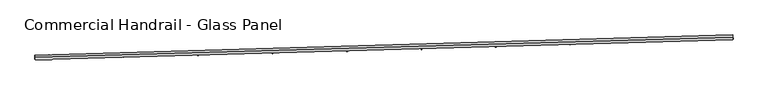
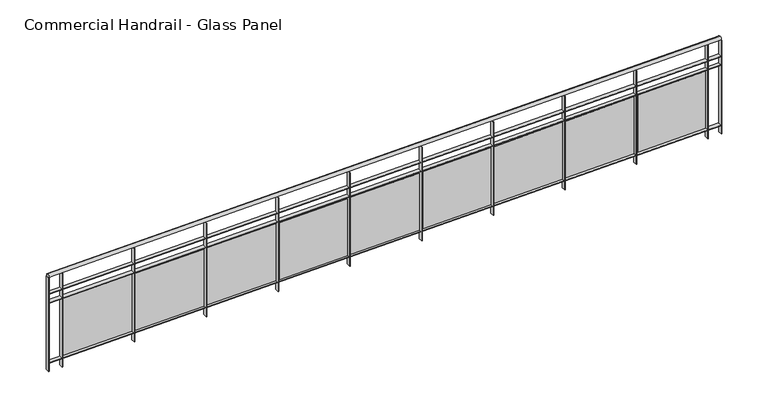
"""IFC4 building model written with IfcOpenShell, lengths in millimetres: railing geometry, Commercial Handrail - Glass Panel."""

import ifcopenshell
import ifcopenshell.guid

model = None  # the IFC model being written
_history = None  # IfcOwnerHistory: only IFC2X3 demands one
_inside = {}  # id of a spatial element -> (the spatial element, [elements in it])
_under = {}  # id of a project, library or spatial element -> (it, [spatial elements below it])
_declared = {}  # id of a project -> (the project, [libraries it declares])
_typed = {}  # id of a type object -> (the type object, [elements of that type])
_made_of = {}  # id of a material, layer set ... -> (it, [elements and type objects made of it])


def new_model(schema):
    """Start an empty IFC model of exactly this schema.

    Asked for "IFC4X3", IfcOpenShell would pick the latest addendum, in which some entities
    have other attributes; the version numbers below select the first issue.
    IFC2X3 requires an IfcOwnerHistory on every rooted entity: one is made here for all.
    """
    global model, _history
    if schema == "IFC4X3":
        model = ifcopenshell.file(schema_version=(4, 3, 0, 0))
    else:
        model = ifcopenshell.file(schema=schema)
    _inside.clear()
    _under.clear()
    _declared.clear()
    _typed.clear()
    _made_of.clear()
    _history = None
    if model.schema == "IFC2X3":
        org = make("IfcOrganization", Name="unknown")
        user = make(
            "IfcPersonAndOrganization",
            ThePerson=make("IfcPerson", FamilyName="unknown"),
            TheOrganization=org,
        )
        app = make(
            "IfcApplication",
            ApplicationDeveloper=org,
            Version="unknown",
            ApplicationFullName="unknown",
            ApplicationIdentifier="unknown",
        )
        _history = make(
            "IfcOwnerHistory",
            OwningUser=user,
            OwningApplication=app,
            ChangeAction="ADDED",
            CreationDate=0,
        )
    return model


def make(cls, **values):
    """One entity of the class cls with the attributes given. An attribute that is None is left unset."""
    return model.create_entity(
        cls, **{name: value for name, value in values.items() if value is not None}
    )


def rooted(cls, **values):
    """An entity with a GlobalId (a new one), such as an element, a storey or a relation."""
    return make(cls, GlobalId=ifcopenshell.guid.new(), OwnerHistory=_history, **values)


def si_unit(unit_type, name, prefix=None):
    """IfcSIUnit, for example si_unit("LENGTHUNIT", "METRE", prefix="MILLI")."""
    return make("IfcSIUnit", UnitType=unit_type, Prefix=prefix, Name=name)


def assignment(units):
    """IfcUnitAssignment: the units of a project."""
    return None if units is None else make("IfcUnitAssignment", Units=units)


def point(xyz):
    """IfcCartesianPoint."""
    return None if xyz is None else make("IfcCartesianPoint", Coordinates=xyz)


def direction(xyz):
    """IfcDirection."""
    return None if xyz is None else make("IfcDirection", DirectionRatios=xyz)


def frame(location, z_axis=None, x_axis=None):
    """IfcAxis2Placement3D, a coordinate frame: its origin and axes. An axis left out is left unset."""
    return make(
        "IfcAxis2Placement3D",
        Location=point(location),
        Axis=direction(z_axis),
        RefDirection=direction(x_axis),
    )


def origin():
    """The frame at (0, 0, 0) with its axes left unset."""
    return frame((0.0, 0.0, 0.0))


def place(relative_to, where):
    """IfcLocalPlacement: puts the frame where relative to a parent placement (None: the world)."""
    return make(
        "IfcLocalPlacement", PlacementRelTo=relative_to, RelativePlacement=where
    )


def context(
    kind, dimensions, precision=None, world=None, true_north=None, identifier=None
):
    """IfcGeometricRepresentationContext, for example the 3D "Model" context."""
    return make(
        "IfcGeometricRepresentationContext",
        ContextIdentifier=identifier,
        ContextType=kind,
        CoordinateSpaceDimension=dimensions,
        Precision=precision,
        WorldCoordinateSystem=world,
        TrueNorth=true_north,
    )


def project(units=None, contexts=None):
    """IfcProject with its units and contexts."""
    return rooted(
        "IfcProject",
        Name="project",
        RepresentationContexts=contexts,
        UnitsInContext=assignment(units),
    )


def spatial(cls, under=None, at=None, **own):
    """A site, building, storey or space (cls), placed at a placement, below another one or the project."""
    s = rooted(cls, ObjectPlacement=at, **own)
    if under is not None:
        _under.setdefault(under.id(), (under, []))[1].append(s)
    return s


def polyline(points):
    """IfcPolyline through the points."""
    return make("IfcPolyline", Points=[point(p) for p in points])


def circle_curve(where, radius):
    """IfcCircle in the frame where."""
    return make("IfcCircle", Position=where, Radius=radius)


def ellipse_curve(where, semi_axis1, semi_axis2):
    """IfcEllipse in the frame where."""
    return make(
        "IfcEllipse", Position=where, SemiAxis1=semi_axis1, SemiAxis2=semi_axis2
    )


def trimmed(basis, trim1, trim2, sense, master):
    """IfcTrimmedCurve: the piece of a basis curve between two trims."""
    return make(
        "IfcTrimmedCurve",
        BasisCurve=basis,
        Trim1=trim1,
        Trim2=trim2,
        SenseAgreement=sense,
        MasterRepresentation=master,
    )


def outline(outer, holes=None, kind="AREA"):
    """IfcArbitraryClosedProfileDef: a profile drawn as a closed curve; with holes, ...WithVoids."""
    if holes is None:
        return make("IfcArbitraryClosedProfileDef", ProfileType=kind, OuterCurve=outer)
    return make(
        "IfcArbitraryProfileDefWithVoids",
        ProfileType=kind,
        OuterCurve=outer,
        InnerCurves=holes,
    )


def extrude(swept, where, along, depth):
    """IfcExtrudedAreaSolid: the profile swept, set in the frame where, extruded along a direction by depth."""
    return make(
        "IfcExtrudedAreaSolid",
        SweptArea=swept,
        Position=where,
        ExtrudedDirection=direction(along),
        Depth=depth,
    )


def shape(context_of_items, identifier, shape_type, items):
    """IfcShapeRepresentation: the items that make up one representation, for example the "Body"."""
    return make(
        "IfcShapeRepresentation",
        ContextOfItems=context_of_items,
        RepresentationIdentifier=identifier,
        RepresentationType=shape_type,
        Items=items,
    )


def source(mapping_origin, context_of_items, identifier, shape_type, items):
    """IfcRepresentationMap: a shape defined once, which mapped items show again and again."""
    return make(
        "IfcRepresentationMap",
        MappingOrigin=mapping_origin,
        MappedRepresentation=shape(context_of_items, identifier, shape_type, items),
    )


def transform(
    local_origin,
    x_axis=None,
    y_axis=None,
    z_axis=None,
    scale=None,
    scale2=None,
    scale3=None,
    uniform=True,
):
    """IfcCartesianTransformationOperator3D, or its non-uniform kind. x_axis, y_axis, z_axis: its Axis1, 2, 3."""
    if uniform:
        return make(
            "IfcCartesianTransformationOperator3D",
            Axis1=direction(x_axis),
            Axis2=direction(y_axis),
            LocalOrigin=point(local_origin),
            Scale=scale,
            Axis3=direction(z_axis),
        )
    return make(
        "IfcCartesianTransformationOperator3DnonUniform",
        Axis1=direction(x_axis),
        Axis2=direction(y_axis),
        LocalOrigin=point(local_origin),
        Scale=scale,
        Axis3=direction(z_axis),
        Scale2=scale2,
        Scale3=scale3,
    )


def mapped(mapping_source, mapping_target):
    """IfcMappedItem: shows the shape of a source again, moved by a transform."""
    return make(
        "IfcMappedItem", MappingSource=mapping_source, MappingTarget=mapping_target
    )


def made_of(thing, what):
    """Note that an element or type object is made of a material, layer set ...; save() writes the relation."""
    if what is not None:
        _made_of.setdefault(what.id(), (what, []))[1].append(thing)
    return thing


def element(
    cls,
    number,
    at=None,
    inside=None,
    cuts=None,
    type_object=None,
    material=None,
    context=None,
    identifier="Body",
    shape_type=None,
    held_by="IfcProductDefinitionShape",
    body=None,
    shapes=None,
    **own,
):
    """One element of the class cls, such as IfcWall. Its Tag is "e" and its number.

    at: its placement. inside: the storey or other place that contains it. cuts: it is an
    opening in that element (IfcRelVoidsElement). A single representation is given by context,
    identifier, shape_type and body (its items); several are given by shapes. held_by: the class
    of the entity that holds the representations. save() writes the other relations.
    """
    e = rooted(cls, Tag="e%d" % number, ObjectPlacement=at, **own)
    if body is not None:
        shapes = [shape(context, identifier, shape_type, body)]
    if shapes is not None:
        e.Representation = make(held_by, Representations=shapes)
    if inside is not None:
        _inside.setdefault(inside.id(), (inside, []))[1].append(e)
    if cuts is not None:
        rooted(
            "IfcRelVoidsElement", RelatingBuildingElement=cuts, RelatedOpeningElement=e
        )
    if type_object is not None:
        _typed.setdefault(type_object.id(), (type_object, []))[1].append(e)
    return made_of(e, material)


def aggregate(whole, parts):
    """IfcRelAggregates: a whole, such as a stair, and the parts it consists of."""
    return rooted("IfcRelAggregates", RelatingObject=whole, RelatedObjects=parts)


def save(model, path):
    """Write the relations noted so far, then the file.

    IfcRelAggregates (storeys below a building ...), IfcRelContainedInSpatialStructure (elements
    in a storey), IfcRelDefinesByType, IfcRelAssociatesMaterial and IfcRelDeclares: one each for
    every whole, place, type object, material and project.
    """
    for whole, parts in _under.values():
        aggregate(whole, parts)
    for where, things in _inside.values():
        rooted(
            "IfcRelContainedInSpatialStructure",
            RelatedElements=things,
            RelatingStructure=where,
        )
    for kind, things in _typed.values():
        rooted("IfcRelDefinesByType", RelatedObjects=things, RelatingType=kind)
    for what, things in _made_of.values():
        rooted("IfcRelAssociatesMaterial", RelatedObjects=things, RelatingMaterial=what)
    for by, libraries in _declared.values():
        rooted("IfcRelDeclares", RelatingContext=by, RelatedDefinitions=libraries)
    model.write(path)


def plane_surface(at):
    """IfcPlane: the flat surface through the origin of the frame at, square to its z axis."""
    return make("IfcPlane", Position=at)


def cylinder_surface(at, radius):
    """IfcCylindricalSurface: all points at the distance radius from the z axis of the frame at."""
    return make("IfcCylindricalSurface", Position=at, Radius=radius)


def revolved_surface(curve, axis_point, axis_direction):
    """IfcSurfaceOfRevolution: the curve turned about the line through axis_point along axis_direction."""
    return make(
        "IfcSurfaceOfRevolution",
        SweptCurve=make("IfcArbitraryOpenProfileDef", ProfileType="CURVE", Curve=curve),
        AxisPosition=make("IfcAxis1Placement", Location=point(axis_point), Axis=direction(axis_direction)),
    )


def advanced_brep(points, edges, surfaces, faces):
    """IfcAdvancedBrep: a solid bounded by faces that lie on surfaces and meet in shared edges.

    An edge is (start, end): straight between two places in points (the first is 0);
    or (start, end, curve); or (start, end, curve, False) where it runs against its curve.
    A face is (place in surfaces, loops), or (place, loops, False) where it looks against
    its surface's normal. A loop lists edges by number (the first is 1), with a minus sign
    where the edge is run from its end to its start. The first loop is the outer one.
    """
    corners = [point(p) for p in points]
    vertices = [make("IfcVertexPoint", VertexGeometry=c) for c in corners]
    made = []
    for start, end, *more in edges:
        made.append(
            make(
                "IfcEdgeCurve",
                EdgeStart=vertices[start],
                EdgeEnd=vertices[end],
                EdgeGeometry=more[0] if more else make("IfcPolyline", Points=[corners[start], corners[end]]),
                SameSense=more[1] if len(more) > 1 else True,
            )
        )
    hull = []
    for where, loops, *sense in faces:
        bounds = []
        for j, loop in enumerate(loops):
            ring = [make("IfcOrientedEdge", EdgeElement=made[abs(k) - 1], Orientation=k > 0) for k in loop]
            bounds.append(
                make(
                    "IfcFaceOuterBound" if j == 0 else "IfcFaceBound",
                    Bound=make("IfcEdgeLoop", EdgeList=ring),
                    Orientation=True,
                )
            )
        hull.append(make("IfcAdvancedFace", Bounds=bounds, FaceSurface=surfaces[where], SameSense=sense[0] if sense else True))
    return make("IfcAdvancedBrep", Outer=make("IfcClosedShell", CfsFaces=hull))


def commercial_handrail_glass_panel_80ee189d(model_context):
    return source(origin(), model_context, "Body", "SolidModel", [
        advanced_brep(
        [(92002.383663, -32667.3922557, 6082.5), (99494.9420754, -32451.0584411, 6082.5), (99494.9420754, -32451.0584411, 6117.5), (92002.383663, -32667.3922557, 6117.5)],
        [
            (0, 1, circle_curve(frame((80860.2598568, 483089.3774887, 6082.5), z_axis=(0.0, 0.0, 1.0), x_axis=(0.0361223280953345, -0.9993473757472788, 0.0)), 515877.1098432)),
            (1, 2, ellipse_curve(frame((99494.9420754, -32451.0584411, 6100.0), z_axis=(-0.9993473757472793, -0.03612232809532806, 0.0), x_axis=(-0.03612232809532805, 0.999347375747279, 0.0)), 25.0, 17.5)),
            (2, 3, circle_curve(frame((80860.2598568, 483089.3774887, 6117.5), z_axis=(0.0, 0.0, -1.0), x_axis=(0.0361223280953345, -0.9993473757472788, 0.0)), 515877.1098432)),
            (3, 0, ellipse_curve(frame((92002.383663, -32667.3922557, 6100.0), z_axis=(0.9997667271983505, 0.021598407050044108, 0.0), x_axis=(-0.021598407050044104, 0.9997667271983502, 0.0)), 25.0, 17.5)),
            (2, 1, ellipse_curve(frame((99494.9420754, -32451.0584411, 6100.0), z_axis=(-0.9993473757472793, -0.03612232809532806, 0.0), x_axis=(-0.03612232809532805, 0.999347375747279, 0.0)), 25.0, 17.5)),
            (0, 3, ellipse_curve(frame((92002.383663, -32667.3922557, 6100.0), z_axis=(0.9997667271983505, 0.021598407050044108, 0.0), x_axis=(-0.021598407050044104, 0.9997667271983502, 0.0)), 25.0, 17.5)),
        ],
        [
            revolved_surface(trimmed(ellipse_curve(frame((99494.9420754, -32451.0584411, 6100.0), z_axis=(0.9993473757472788, 0.036122328095334506, 0.0), x_axis=(0.0, 0.0, -1.0)), 17.5, 25.0), [point((99494.9420754, -32451.0584411, 6117.5))], [point((99494.9420754, -32451.0584411, 6082.5))], True, "CARTESIAN"), (80860.2598568, 483089.3774887, 6100.0), (0.0, 0.0, -1.0)),
            revolved_surface(trimmed(ellipse_curve(frame((99494.9420754, -32451.0584411, 6100.0), z_axis=(0.9993473757472788, 0.036122328095334506, 0.0), x_axis=(0.0, 0.0, -1.0)), 17.5, 25.0), [point((99494.9420754, -32451.0584411, 6082.5))], [point((99494.9420754, -32451.0584411, 6117.5))], True, "CARTESIAN"), (80860.2598568, 483089.3774887, 6100.0), (0.0, 0.0, -1.0)),
            plane_surface(frame((99494.9420754, -32451.0584411, 6100.0), z_axis=(0.9993473757472789, 0.03612232809533451, 0.0), x_axis=(0.03612232809533451, -0.9993473757472789, 0.0))),
            plane_surface(frame((92002.383663, -32667.3922557, 6100.0), z_axis=(-0.9997667271983504, -0.021598407050044077, 0.0), x_axis=(0.021598407050044077, -0.9997667271983504, 0.0))),
        ],
        [
            (0, [[1, 2, 3, 4]]),
            (1, [[-3, 5, -1, 6]]),
            (2, [[-2, -5]]),
            (3, [[-6, -4]]),
        ],
    ),
        advanced_brep(
        [(92002.8696271, -32689.8870071, 5900.0), (99495.7548278, -32473.5437571, 5900.0), (99494.129323, -32428.5731252, 5900.0), (92001.8976988, -32644.8975044, 5900.0), (92002.8696271, -32689.8870071, 5894.0), (99495.7548278, -32473.5437571, 5894.0), (92001.8976988, -32644.8975044, 5894.0), (99494.129323, -32428.5731252, 5894.0)],
        [
            (0, 1, circle_curve(frame((80860.2598568, 483089.3774887, 5900.0), z_axis=(0.0, 0.0, 1.0), x_axis=(0.0361223280953345, -0.9993473757472788, 0.0)), 515899.6098432)),
            (1, 2),
            (2, 3, circle_curve(frame((80860.2598568, 483089.3774887, 5900.0), z_axis=(0.0, 0.0, -1.0), x_axis=(0.0361223280953345, -0.9993473757472788, 0.0)), 515854.6098432)),
            (3, 0),
            (4, 5, circle_curve(frame((80860.2598568, 483089.3774887, 5894.0), z_axis=(0.0, 0.0, 1.0), x_axis=(0.0361223280953345, -0.9993473757472788, 0.0)), 515899.6098432)),
            (5, 1),
            (0, 4),
            (6, 7, circle_curve(frame((80860.2598568, 483089.3774887, 5894.0), z_axis=(0.0, 0.0, 1.0), x_axis=(0.0361223280953345, -0.9993473757472788, 0.0)), 515854.6098432)),
            (7, 5),
            (4, 6),
            (2, 7),
            (6, 3),
        ],
        [
            plane_surface(frame((80860.2598568, 483089.3774887, 5900.0), z_axis=(0.0, 0.0, 1.0), x_axis=(0.036122328095334506, -0.9993473757472789, 0.0))),
            cylinder_surface(frame((80860.2598568, 483089.3774887, 5900.0), z_axis=(0.0, 0.0, -1.0), x_axis=(0.0361223280953345, -0.9993473757472788, 0.0)), 515899.6098432),
            plane_surface(frame((80860.2598568, 483089.3774887, 5894.0), z_axis=(0.0, 0.0, -1.0), x_axis=(0.036122328095334506, -0.9993473757472789, 0.0))),
            revolved_surface(polyline([(99494.12932304683, -32428.573125238356, 5894.0), (99494.12932304683, -32428.573125238356, 5900.0)]), (80860.2598568, 483089.3774887, 5900.0), (0.0, 0.0, -1.0)),
            plane_surface(frame((99494.9420754, -32451.0584411, 5900.0), z_axis=(0.9993473757472789, 0.03612232809533451, 0.0), x_axis=(0.03612232809533451, -0.9993473757472789, 0.0))),
            plane_surface(frame((92002.383663, -32667.3922557, 5900.0), z_axis=(-0.9997667271983504, -0.021598407050044077, 0.0), x_axis=(0.021598407050044077, -0.9997667271983504, 0.0))),
        ],
        [
            (0, [[1, 2, 3, 4]]),
            (1, [[5, 6, -1, 7]]),
            (2, [[8, 9, -5, 10]]),
            (3, [[-3, 11, -8, 12]]),
            (4, [[-2, -6, -9, -11]]),
            (5, [[-12, -10, -7, -4]]),
        ],
    ),
        advanced_brep(
        [(92002.8696271, -32689.8870071, 5800.0), (99495.7548278, -32473.5437571, 5800.0), (99494.129323, -32428.5731252, 5800.0), (92001.8976988, -32644.8975044, 5800.0), (92002.8696271, -32689.8870071, 5794.0), (99495.7548278, -32473.5437571, 5794.0), (92001.8976988, -32644.8975044, 5794.0), (99494.129323, -32428.5731252, 5794.0)],
        [
            (0, 1, circle_curve(frame((80860.2598568, 483089.3774887, 5800.0), z_axis=(0.0, 0.0, 1.0), x_axis=(0.0361223280953345, -0.9993473757472788, 0.0)), 515899.6098432)),
            (1, 2),
            (2, 3, circle_curve(frame((80860.2598568, 483089.3774887, 5800.0), z_axis=(0.0, 0.0, -1.0), x_axis=(0.0361223280953345, -0.9993473757472788, 0.0)), 515854.6098432)),
            (3, 0),
            (4, 5, circle_curve(frame((80860.2598568, 483089.3774887, 5794.0), z_axis=(0.0, 0.0, 1.0), x_axis=(0.0361223280953345, -0.9993473757472788, 0.0)), 515899.6098432)),
            (5, 1),
            (0, 4),
            (6, 7, circle_curve(frame((80860.2598568, 483089.3774887, 5794.0), z_axis=(0.0, 0.0, 1.0), x_axis=(0.0361223280953345, -0.9993473757472788, 0.0)), 515854.6098432)),
            (7, 5),
            (4, 6),
            (2, 7),
            (6, 3),
        ],
        [
            plane_surface(frame((80860.2598568, 483089.3774887, 5800.0), z_axis=(0.0, 0.0, 1.0), x_axis=(0.036122328095334506, -0.9993473757472789, 0.0))),
            cylinder_surface(frame((80860.2598568, 483089.3774887, 5800.0), z_axis=(0.0, 0.0, -1.0), x_axis=(0.0361223280953345, -0.9993473757472788, 0.0)), 515899.6098432),
            plane_surface(frame((80860.2598568, 483089.3774887, 5794.0), z_axis=(0.0, 0.0, -1.0), x_axis=(0.036122328095334506, -0.9993473757472789, 0.0))),
            revolved_surface(polyline([(99494.12932304683, -32428.573125238356, 5794.0), (99494.12932304683, -32428.573125238356, 5800.0)]), (80860.2598568, 483089.3774887, 5800.0), (0.0, 0.0, -1.0)),
            plane_surface(frame((99494.9420754, -32451.0584411, 5800.0), z_axis=(0.9993473757472789, 0.03612232809533451, 0.0), x_axis=(0.03612232809533451, -0.9993473757472789, 0.0))),
            plane_surface(frame((92002.383663, -32667.3922557, 5800.0), z_axis=(-0.9997667271983504, -0.021598407050044077, 0.0), x_axis=(0.021598407050044077, -0.9997667271983504, 0.0))),
        ],
        [
            (0, [[1, 2, 3, 4]]),
            (1, [[5, 6, -1, 7]]),
            (2, [[8, 9, -5, 10]]),
            (3, [[-3, 11, -8, 12]]),
            (4, [[-2, -6, -9, -11]]),
            (5, [[-12, -10, -7, -4]]),
        ],
    ),
        advanced_brep(
        [(92002.8696271, -32689.8870071, 5100.0), (99495.7548278, -32473.5437571, 5100.0), (99494.129323, -32428.5731252, 5100.0), (92001.8976988, -32644.8975044, 5100.0), (92002.8696271, -32689.8870071, 5094.0), (99495.7548278, -32473.5437571, 5094.0), (92001.8976988, -32644.8975044, 5094.0), (99494.129323, -32428.5731252, 5094.0)],
        [
            (0, 1, circle_curve(frame((80860.2598568, 483089.3774887, 5100.0), z_axis=(0.0, 0.0, 1.0), x_axis=(0.0361223280953345, -0.9993473757472788, 0.0)), 515899.6098432)),
            (1, 2),
            (2, 3, circle_curve(frame((80860.2598568, 483089.3774887, 5100.0), z_axis=(0.0, 0.0, -1.0), x_axis=(0.0361223280953345, -0.9993473757472788, 0.0)), 515854.6098432)),
            (3, 0),
            (4, 5, circle_curve(frame((80860.2598568, 483089.3774887, 5094.0), z_axis=(0.0, 0.0, 1.0), x_axis=(0.0361223280953345, -0.9993473757472788, 0.0)), 515899.6098432)),
            (5, 1),
            (0, 4),
            (6, 7, circle_curve(frame((80860.2598568, 483089.3774887, 5094.0), z_axis=(0.0, 0.0, 1.0), x_axis=(0.0361223280953345, -0.9993473757472788, 0.0)), 515854.6098432)),
            (7, 5),
            (4, 6),
            (2, 7),
            (6, 3),
        ],
        [
            plane_surface(frame((80860.2598568, 483089.3774887, 5100.0), z_axis=(0.0, 0.0, 1.0), x_axis=(0.036122328095334506, -0.9993473757472789, 0.0))),
            cylinder_surface(frame((80860.2598568, 483089.3774887, 5100.0), z_axis=(0.0, 0.0, -1.0), x_axis=(0.0361223280953345, -0.9993473757472788, 0.0)), 515899.6098432),
            plane_surface(frame((80860.2598568, 483089.3774887, 5094.0), z_axis=(0.0, 0.0, -1.0), x_axis=(0.036122328095334506, -0.9993473757472789, 0.0))),
            revolved_surface(polyline([(99494.12932304683, -32428.573125238356, 5094.0), (99494.12932304683, -32428.573125238356, 5100.0)]), (80860.2598568, 483089.3774887, 5100.0), (0.0, 0.0, -1.0)),
            plane_surface(frame((99494.9420754, -32451.0584411, 5100.0), z_axis=(0.9993473757472789, 0.03612232809533451, 0.0), x_axis=(0.03612232809533451, -0.9993473757472789, 0.0))),
            plane_surface(frame((92002.383663, -32667.3922557, 5100.0), z_axis=(-0.9997667271983504, -0.021598407050044077, 0.0), x_axis=(0.021598407050044077, -0.9997667271983504, 0.0))),
        ],
        [
            (0, [[1, 2, 3, 4]]),
            (1, [[5, 6, -1, 7]]),
            (2, [[8, 9, -5, 10]]),
            (3, [[-3, 11, -8, 12]]),
            (4, [[-2, -6, -9, -11]]),
            (5, [[-12, -10, -7, -4]]),
        ],
    ),
        extrude(outline(polyline([(92152.728988, -32641.616971), (92153.7138122, -32686.6061932), (92147.7152493, -32686.7375031), (92146.730425, -32641.7482809), (92152.728988, -32641.616971)])), frame((0.0, 0.0, 5000.0), z_axis=(0.0, 0.0, 1.0), x_axis=(1.0, 0.0, 0.0)), (0.0, 0.0, 1.0), 1082.1192282),
        extrude(outline(polyline([(92930.1612694, -32652.6558005), (92170.3564181, -32669.8775298), (92170.0844961, -32657.8806111), (92929.8893474, -32640.6588818), (92930.1612694, -32652.6558005)])), frame((0.0, 0.0, 5120.0), z_axis=(0.0, 0.0, 1.0), x_axis=(1.0, 0.0, 0.0)), (0.0, 0.0, 1.0), 660.0),
        extrude(outline(polyline([(92952.4884996, -32623.4849763), (92953.5430901, -32668.4726173), (92947.5447379, -32668.6132293), (92946.4901475, -32623.6255884), (92952.4884996, -32623.4849763)])), frame((0.0, 0.0, 5000.0), z_axis=(0.0, 0.0, 1.0), x_axis=(1.0, 0.0, 0.0)), (0.0, 0.0, 1.0), 1082.1192282),
        extrude(outline(polyline([(93729.9369648, -32633.3181846), (92970.1597338, -32651.7181653), (92969.8692078, -32639.7216827), (93729.6464388, -32621.321702), (93729.9369648, -32633.3181846)])), frame((0.0, 0.0, 5120.0), z_axis=(0.0, 0.0, 1.0), x_axis=(1.0, 0.0, 0.0)), (0.0, 0.0, 1.0), 660.0),
        extrude(outline(polyline([(93752.2189314, -32604.1127714), (93753.3432854, -32649.0987228), (93747.3451585, -32649.2486367), (93746.2208045, -32604.2626853), (93752.2189314, -32604.1127714)])), frame((0.0, 0.0, 5000.0), z_axis=(0.0, 0.0, 1.0), x_axis=(1.0, 0.0, 0.0)), (0.0, 0.0, 1.0), 1082.1192282),
        extrude(outline(polyline([(94529.6817106, -32612.7403348), (93769.9339271, -32632.3185227), (93769.6247978, -32620.322505), (94529.3725813, -32600.7443171), (94529.6817106, -32612.7403348)])), frame((0.0, 0.0, 5120.0), z_axis=(0.0, 0.0, 1.0), x_axis=(1.0, 0.0, 0.0)), (0.0, 0.0, 1.0), 660.0),
        extrude(outline(polyline([(94551.9183599, -32583.5004028), (94553.1124748, -32628.4845565), (94547.1145876, -32628.6437718), (94545.9204727, -32583.6596181), (94551.9183599, -32583.5004028)])), frame((0.0, 0.0, 5000.0), z_axis=(0.0, 0.0, 1.0), x_axis=(1.0, 0.0, 0.0)), (0.0, 0.0, 1.0), 1082.1192282),
        extrude(outline(polyline([(95329.3935836, -32590.9223004), (94569.6770746, -32611.6786485), (94569.3493428, -32599.6831246), (95329.0658518, -32578.9267766), (95329.3935836, -32590.9223004)])), frame((0.0, 0.0, 5120.0), z_axis=(0.0, 0.0, 1.0), x_axis=(1.0, 0.0, 0.0)), (0.0, 0.0, 1.0), 660.0),
        extrude(outline(polyline([(95351.5848621, -32561.64792), (95352.848735, -32606.6301679), (95346.851102, -32606.7986842), (95345.587229, -32561.8164364), (95351.5848621, -32561.64792)])), frame((0.0, 0.0, 5000.0), z_axis=(0.0, 0.0, 1.0), x_axis=(1.0, 0.0, 0.0)), (0.0, 0.0, 1.0), 1082.1192282),
        extrude(outline(polyline([(96129.0706605, -32567.8641341), (95369.387253, -32589.7985923), (95369.0409195, -32577.8035912), (96128.7243269, -32555.869133), (96129.0706605, -32567.8641341)])), frame((0.0, 0.0, 5120.0), z_axis=(0.0, 0.0, 1.0), x_axis=(1.0, 0.0, 0.0)), (0.0, 0.0, 1.0), 660.0),
        extrude(outline(polyline([(96151.2165149, -32538.5553756), (96152.5501428, -32583.5356094), (96146.5527783, -32583.7134265), (96145.2191504, -32538.7331926), (96151.2165149, -32538.5553756)])), frame((0.0, 0.0, 5000.0), z_axis=(0.0, 0.0, 1.0), x_axis=(1.0, 0.0, 0.0)), (0.0, 0.0, 1.0), 1082.1192282),
        extrude(outline(polyline([(96928.7110182, -32543.5658913), (96169.0625392, -32566.678407), (96168.6976048, -32554.6839573), (96928.3460838, -32531.5714416), (96928.7110182, -32543.5658913)])), frame((0.0, 0.0, 5120.0), z_axis=(0.0, 0.0, 1.0), x_axis=(1.0, 0.0, 0.0)), (0.0, 0.0, 1.0), 660.0),
        extrude(outline(polyline([(96950.8113953, -32514.2228252), (96952.214775, -32559.2009368), (96946.2176934, -32559.3880541), (96944.8143137, -32514.4099424), (96950.8113953, -32514.2228252)])), frame((0.0, 0.0, 5000.0), z_axis=(0.0, 0.0, 1.0), x_axis=(1.0, 0.0, 0.0)), (0.0, 0.0, 1.0), 1082.1192282),
        extrude(outline(polyline([(97728.3127338, -32518.0276303), (96968.7010101, -32542.3181479), (96968.3174756, -32530.3242785), (97727.9291993, -32506.033761), (97728.3127338, -32518.0276303)])), frame((0.0, 0.0, 5120.0), z_axis=(0.0, 0.0, 1.0), x_axis=(1.0, 0.0, 0.0)), (0.0, 0.0, 1.0), 660.0),
        extrude(outline(polyline([(97750.3675803, -32488.6503272), (97751.8407084, -32533.6262084), (97745.8439243, -32533.8226255), (97744.3707962, -32488.8467443), (97750.3675803, -32488.6503272)])), frame((0.0, 0.0, 5000.0), z_axis=(0.0, 0.0, 1.0), x_axis=(1.0, 0.0, 0.0)), (0.0, 0.0, 1.0), 1082.1192282),
        extrude(outline(polyline([(98527.8738843, -32491.2494127), (97768.3007427, -32516.7178737), (97767.8986091, -32504.7246135), (98527.4717507, -32479.2561525), (98527.8738843, -32491.2494127)])), frame((0.0, 0.0, 5120.0), z_axis=(0.0, 0.0, 1.0), x_axis=(1.0, 0.0, 0.0)), (0.0, 0.0, 1.0), 660.0),
        extrude(outline(polyline([(98549.8831473, -32461.8379432), (98551.4260203, -32506.8114859), (98545.4295479, -32507.0172022), (98543.8866749, -32462.0436595), (98549.8831473, -32461.8379432)])), frame((0.0, 0.0, 5000.0), z_axis=(0.0, 0.0, 1.0), x_axis=(1.0, 0.0, 0.0)), (0.0, 0.0, 1.0), 1082.1192282),
        extrude(outline(polyline([(99327.3925469, -32463.2313027), (98567.859814, -32489.8776459), (98567.4390823, -32477.8850238), (99326.9718152, -32451.2386806), (99327.3925469, -32463.2313027)])), frame((0.0, 0.0, 5120.0), z_axis=(0.0, 0.0, 1.0), x_axis=(1.0, 0.0, 0.0)), (0.0, 0.0, 1.0), 660.0),
        extrude(outline(polyline([(99349.3561734, -32433.7857376), (99350.9687875, -32478.7568336), (99344.9726414, -32478.9718488), (99343.3600273, -32434.0007528), (99349.3561734, -32433.7857376)])), frame((0.0, 0.0, 5000.0), z_axis=(0.0, 0.0, 1.0), x_axis=(1.0, 0.0, 0.0)), (0.0, 0.0, 1.0), 1082.1192282),
        extrude(outline(polyline([(92004.896999, -32644.8327091), (92005.8689273, -32689.8222119), (91999.870327, -32689.9518023), (91998.8983986, -32644.9622996), (92004.896999, -32644.8327091)])), frame((0.0, 0.0, 5000.0), z_axis=(0.0, 0.0, 1.0), x_axis=(1.0, 0.0, 0.0)), (0.0, 0.0, 1.0), 1082.1192282),
        extrude(outline(polyline([(99497.1273652, -32428.4647582), (99498.7528699, -32473.4353901), (99492.7567857, -32473.6521241), (99491.1312809, -32428.6814922), (99497.1273652, -32428.4647582)])), frame((0.0, 0.0, 5000.0), z_axis=(0.0, 0.0, 1.0), x_axis=(1.0, 0.0, 0.0)), (0.0, 0.0, 1.0), 1082.1192282),
    ])


if __name__ == "__main__":
    model = new_model("IFC4")
    model_context = context("Model", 3, world=origin())
    ifc_project = project(units=[si_unit("LENGTHUNIT", "METRE", prefix="MILLI")], contexts=[model_context])
    site = spatial("IfcSite", under=ifc_project)
    building = spatial("IfcBuilding", under=site)
    placement = place(None, origin())
    commercial_handrail_glass_panel_shape = commercial_handrail_glass_panel_80ee189d(model_context)
    element("IfcRailing", 1, ObjectType="Commercial Handrail - Glass Panel", at=placement, inside=building, context=model_context, shape_type="MappedRepresentation", body=[
        mapped(commercial_handrail_glass_panel_shape, transform((0.0, 0.0, 0.0), x_axis=(1.0, 0.0, 0.0), y_axis=(0.0, 1.0, 0.0), z_axis=(0.0, 0.0, 1.0))),
    ])
    save(model, "model.ifc")
